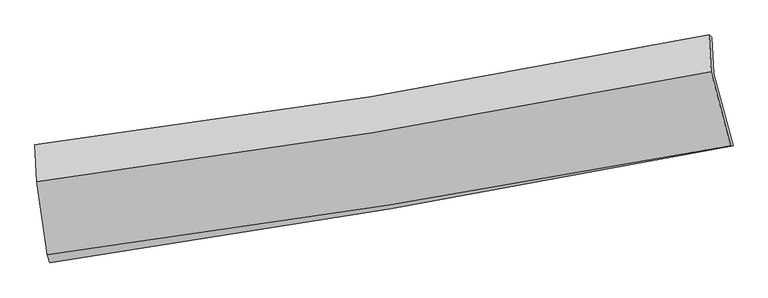
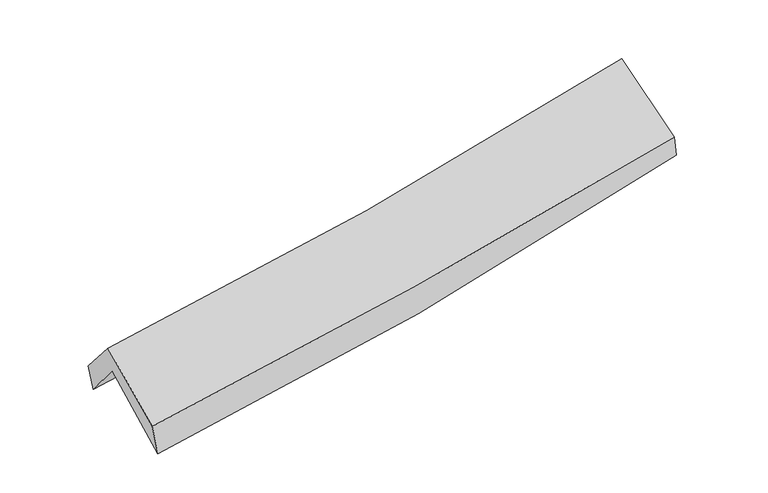
"""IFC4 building model written with IfcOpenShell, lengths in millimetres: proxy geometry."""

from ifc_helpers import new_model, si_unit, frame, origin, place, context, project, spatial, source, transform, mapped, element, save
from ifc_brep_helpers import plane_surface, spline_curve, spline_surface, advanced_brep


def generic_models_747d7d6c(model_context):
    return source(origin(), model_context, "Body", "AdvancedBrep", [
        advanced_brep(
        [(-2281.7314062, -2478.6635406, 1484.5780387), (-2357.4127741, -1959.512043, 1916.369934), (2303.6623509, -1174.6924992, 2354.6005359), (2436.409589, -1670.1567797, 1935.2673388), (-2369.6687758, -1708.6342171, 1605.4963567), (2289.7668394, -922.6999697, 2057.4347946), (-2383.0895488, -1663.7449863, 1789.7586564), (2270.3969295, -906.0398376, 2213.4368246), (-2369.7890536, -1920.4383607, 2091.5925351), (2284.5241622, -1161.6961647, 2514.6405131), (-2297.2591286, -2424.724317, 1693.1958981), (2419.4723869, -1671.1462524, 2098.1893718)],
        [
            (0, 1),
            (1, 2, spline_curve(3, [(-2357.4127741, -1959.512043, 1916.369934), (-1579.907648707, -1850.603317641, 1951.253247415), (-805.719875576, -1731.335757252, 2004.784960724), (748.076402267, -1470.055774264, 2150.273992739), (1527.580337463, -1327.71681995, 2242.81914662), (2303.6623509, -1174.6924992, 2354.6005359)], [4, 2, 4], [0.0, 7.779788507190435, 15.68124304359138])),
            (2, 3),
            (3, 0, spline_curve(3, [(2436.409589, -1670.1567797, 1935.2673388), (1652.505610713, -1825.538483081, 1821.182590714), (864.291468913, -1971.051667537, 1726.440294853), (-708.553909405, -2240.252351452, 1576.801609716), (-1493.053432715, -2364.241420718, 1521.314138571), (-2281.7314062, -2478.6635406, 1484.5780387)], [4, 2, 4], [0.0, 7.901454536400944, 15.68124304359138])),
            (1, 4),
            (4, 5, spline_curve(3, [(-2369.6687758, -1708.6342171, 1605.4963567), (-1591.493106583, -1602.30461127, 1637.44235443), (-817.101974311, -1484.245160122, 1690.618677577), (736.162526907, -1222.636826218, 1840.595600274), (1514.916599855, -1078.718194961, 1938.065423256), (2289.7668394, -922.6999697, 2057.4347946)], [4, 2, 4], [0.0, 7.7304746789601, 15.581844181376155])),
            (5, 2),
            (4, 6),
            (6, 7, spline_curve(3, [(-2383.0895488, -1663.7449863, 1789.7586564), (-1608.074826282, -1567.894976889, 1844.067760958), (-835.764528038, -1457.432040941, 1906.193771283), (715.482880219, -1205.324287131, 2047.173422658), (1494.334741334, -1063.218840369, 2126.273468175), (2270.3969295, -906.0398376, 2213.4368246)], [4, 2, 4], [0.0, 7.718655676056932, 15.558021341348281])),
            (7, 5),
            (6, 8),
            (8, 9, spline_curve(3, [(-2369.7890536, -1920.4383607, 2091.5925351), (-1594.812458029, -1820.430804355, 2140.984105002), (-822.45354134, -1707.787881333, 2200.580567219), (729.066711641, -1455.272108644, 2341.274881074), (1508.145533737, -1315.000966231, 2422.694411393), (2284.5241622, -1161.6961647, 2514.6405131)], [4, 2, 4], [0.0, 7.70790923372467, 15.53636039594978])),
            (9, 7),
            (8, 10),
            (10, 11, spline_curve(3, [(-2297.2591286, -2424.724317, 1693.1958981), (-1511.860130297, -2321.280767627, 1746.809944176), (-729.12845604, -2207.33021132, 1807.052739028), (843.199462131, -1956.468725166, 1941.841612134), (1632.711626308, -1819.22659345, 2016.596641727), (2419.4723869, -1671.1462524, 2098.1893718)], [4, 2, 4], [0.0, 7.756171125446592, 15.633638934194806])),
            (11, 9),
            (10, 0),
            (3, 11),
        ],
        [
            spline_surface(3, 3, [[(-2281.7314062, -2478.6635406, 1484.5780387), (-1493.053432676, -2364.241420668, 1521.31413865), (-708.553909403, -2240.252351447, 1576.801609629), (864.291468911, -1971.051667542, 1726.440294941), (1652.505610714, -1825.538483083, 1821.182590715), (2436.409589, -1670.1567797, 1935.2673388)], [(-2306.958528821, -2305.613041404, 1628.508670456), (-1522.004838045, -2193.028719655, 1664.627174922), (-740.94256482, -2070.613486736, 1719.462726692), (825.553113394, -1804.053036446, 1867.718194168), (1610.863852998, -1659.597928686, 1961.72810936), (2392.16050964, -1505.002019504, 2075.045071186)], [(-2332.185651479, -2132.562542196, 1772.439302244), (-1550.956243451, -2021.81601863, 1807.940211226), (-773.331220243, -1900.974621999, 1862.123843767), (786.814757869, -1637.054405324, 2008.996093405), (1569.222095262, -1493.657374377, 2102.273627948), (2347.91143026, -1339.847259396, 2214.822803514)], [(-2357.4127741, -1959.512043, 1916.369934), (-1579.90764882, -1850.603317617, 1951.253247498), (-805.71987566, -1731.335757287, 2004.78496083), (748.076402352, -1470.055774228, 2150.273992632), (1527.580337546, -1327.716819979, 2242.819146594), (2303.6623509, -1174.6924992, 2354.6005359)]], [4, 4], [4, 2, 4], [0.0, 2.1952323021532405], [0.0, 7.779788507190435, 15.68124304359138]),
            spline_surface(3, 3, [[(-2357.4127741, -1959.512043, 1916.369934), (-1579.90764882, -1850.603317617, 1951.253247498), (-805.71987566, -1731.335757287, 2004.78496083), (748.076402352, -1470.055774228, 2150.273992632), (1527.580337546, -1327.716819979, 2242.819146594), (2303.6623509, -1174.6924992, 2354.6005359)], [(-2361.498108016, -1875.886101053, 1812.745408223), (-1583.769468122, -1767.837082216, 1846.64961644), (-809.51390855, -1648.97222489, 1900.062866374), (744.105110582, -1387.582791561, 2047.047861879), (1523.359091614, -1244.717278357, 2141.234572125), (2299.030513733, -1090.694989398, 2255.545288781)], [(-2365.583441884, -1792.260159047, 1709.120882477), (-1587.631287374, -1685.070846757, 1742.045985413), (-813.307941497, -1566.608692502, 1795.340771927), (740.133818754, -1305.109808903, 1943.821731135), (1519.137845683, -1161.717736639, 2039.649997713), (2294.398676567, -1006.697479502, 2156.490041719)], [(-2369.6687758, -1708.6342171, 1605.4963567), (-1591.493106675, -1602.304611356, 1637.442354355), (-817.101974387, -1484.245160105, 1690.618677471), (736.162526984, -1222.636826236, 1840.595600382), (1514.916599751, -1078.718195017, 1938.065423244), (2289.7668394, -922.6999697, 2057.4347946)]], [4, 4], [4, 2, 4], [0.0, 1.3063578104889182], [0.0, 7.7304746789601, 15.581844181376155]),
            spline_surface(3, 3, [[(-2369.6687758, -1708.6342171, 1605.4963567), (-1591.493106675, -1602.304611356, 1637.442354355), (-817.101974387, -1484.245160105, 1690.618677471), (736.162526984, -1222.636826236, 1840.595600382), (1514.916599751, -1078.718195017, 1938.065423244), (2289.7668394, -922.6999697, 2057.4347946)], [(-2374.142366785, -1693.671140161, 1666.917123265), (-1597.02034656, -1590.834733232, 1706.317489867), (-823.322825637, -1475.307453721, 1762.477042082), (729.2693114, -1216.865979894, 1909.454874454), (1508.055980315, -1073.551743449, 2000.801438255), (2283.310202762, -917.146592303, 2109.435471278)], [(-2378.615957815, -1678.708063239, 1728.337889835), (-1602.54758649, -1579.364855125, 1775.192625383), (-829.543676844, -1466.369747291, 1834.335406712), (722.376095859, -1211.095133506, 1978.314148546), (1501.195360894, -1068.385291974, 2063.537453233), (2276.853566138, -911.593214997, 2161.436147922)], [(-2383.0895488, -1663.7449863, 1789.7586564), (-1608.074826375, -1567.894977001, 1844.067760896), (-835.764528094, -1457.432040907, 1906.193771322), (715.482880276, -1205.324287165, 2047.173422618), (1494.334741458, -1063.218840406, 2126.273468244), (2270.3969295, -906.0398376, 2213.4368246)]], [4, 4], [4, 2, 4], [0.0, 0.699010432965876], [0.0, 7.718655676056932, 15.558021341348281]),
            spline_surface(3, 3, [[(-2383.0895488, -1663.7449863, 1789.7586564), (-1608.074826375, -1567.894977001, 1844.067760896), (-835.764528094, -1457.432040907, 1906.193771322), (715.482880276, -1205.324287165, 2047.173422618), (1494.334741458, -1063.218840406, 2126.273468244), (2270.3969295, -906.0398376, 2213.4368246)], [(-2378.6560504, -1749.30944443, 1890.369949324), (-1603.654036963, -1652.073586128, 1943.039875625), (-831.327532523, -1540.883987747, 2004.322703307), (720.010824107, -1288.640227628, 2145.207242062), (1498.938338851, -1147.146215686, 2225.080449288), (2275.106007069, -991.258613319, 2313.838054089)], [(-2374.222552, -1834.87390257, 1990.981242176), (-1599.233247553, -1736.252195264, 2042.011990283), (-826.890536994, -1624.335934584, 2102.451635325), (724.538767894, -1371.956168089, 2243.241061538), (1503.541936236, -1231.073590908, 2323.887430365), (2279.815084631, -1076.477388981, 2414.239283611)], [(-2369.7890536, -1920.4383607, 2091.5925351), (-1594.812458141, -1820.430804391, 2140.984105013), (-822.453541422, -1707.787881424, 2200.580567309), (729.066711724, -1455.272108551, 2341.274880982), (1508.145533629, -1315.000966188, 2422.694411409), (2284.5241622, -1161.6961647, 2514.6405131)]], [4, 4], [4, 2, 4], [0.0, 1.2678397634165341], [0.0, 7.70790923372467, 15.53636039594978]),
            spline_surface(3, 3, [[(-2369.7890536, -1920.4383607, 2091.5925351), (-1594.812458141, -1820.430804391, 2140.984105013), (-822.453541422, -1707.787881424, 2200.580567309), (729.066711724, -1455.272108551, 2341.274880982), (1508.145533629, -1315.000966188, 2422.694411409), (2284.5241622, -1161.6961647, 2514.6405131)], [(-2345.612411928, -2088.533679446, 1958.793656092), (-1567.161682166, -1987.380792145, 2009.592718096), (-791.345179593, -1874.301991333, 2069.404624588), (767.110961825, -1622.33764744, 2208.130458013), (1549.667564507, -1483.076175307, 2287.328488222), (2329.506903764, -1331.512860603, 2375.823466025)], [(-2321.435770272, -2256.628998254, 1825.994777108), (-1539.510906206, -2154.330779961, 1878.201331204), (-760.236817765, -2040.816101302, 1938.228681837), (805.155211925, -1789.403186388, 2074.986035015), (1591.189595393, -1651.151384417, 2151.962564962), (2374.489645336, -1501.329556497, 2237.006418875)], [(-2297.2591286, -2424.724317, 1693.1958981), (-1511.860130231, -2321.280767715, 1746.809944288), (-729.128455936, -2207.330211212, 1807.052739115), (843.199462025, -1956.468725277, 1941.841612045), (1632.71162627, -1819.226593535, 2016.596641775), (2419.4723869, -1671.1462524, 2098.1893718)]], [4, 4], [4, 2, 4], [0.0, 2.12219811732915], [0.0, 7.756171125446592, 15.633638934194806]),
            spline_surface(3, 3, [[(-2297.2591286, -2424.724317, 1693.1958981), (-1511.860130231, -2321.280767715, 1746.809944288), (-729.128455936, -2207.330211212, 1807.052739115), (843.199462025, -1956.468725277, 1941.841612045), (1632.71162627, -1819.226593535, 2016.596641775), (2419.4723869, -1671.1462524, 2098.1893718)], [(-2292.08322115, -2442.704058206, 1623.65661164), (-1505.591231063, -2335.600985372, 1671.644675749), (-722.27027378, -2218.304257955, 1730.302362634), (850.230130965, -1961.32970603, 1870.041173025), (1639.309621084, -1821.330556725, 1951.458624731), (2425.118120932, -1670.816428174, 2043.882027442)], [(-2286.90731365, -2460.683799394, 1554.11732516), (-1499.322331845, -2349.921203011, 1596.479407189), (-715.412091559, -2229.278304704, 1653.55198611), (857.260799971, -1966.190686789, 1798.240733961), (1645.907615901, -1823.434519894, 1886.320607759), (2430.763854968, -1670.486603926, 1989.574683158)], [(-2281.7314062, -2478.6635406, 1484.5780387), (-1493.053432676, -2364.241420668, 1521.31413865), (-708.553909403, -2240.252351447, 1576.801609629), (864.291468911, -1971.051667542, 1726.440294941), (1652.505610714, -1825.538483083, 1821.182590715), (2436.409589, -1670.1567797, 1935.2673388)]], [4, 4], [4, 2, 4], [0.0, 0.7379398530392802], [0.0, 7.816192859362241, 15.754621065850333]),
            plane_surface(frame((2334.0387096, -1251.0719172, 2195.5948965), z_axis=(0.9791305801204839, 0.1752837034800194, 0.10285392733023435), x_axis=(0.20090526044404156, -0.7584479365219691, -0.6199950031342826))),
            plane_surface(frame((-2343.1584478, -2025.9529108, 1763.4985698), z_axis=(-0.9932648312900351, -0.10613058819084323, -0.046489495293498544), x_axis=(-0.07187531006969486, 0.2496759238060659, 0.9656582588441798))),
        ],
        [
            (0, [[1, 2, 3, 4]]),
            (1, [[5, 6, 7, -2]]),
            (2, [[8, 9, 10, -6]]),
            (3, [[11, 12, 13, -9]]),
            (4, [[14, 15, 16, -12]]),
            (5, [[17, -4, 18, -15]]),
            (6, [[-16, -18, -3, -7, -10, -13]]),
            (7, [[-17, -14, -11, -8, -5, -1]]),
        ],
    ),
    ])


if __name__ == "__main__":
    model = new_model("IFC4")
    model_context = context("Model", 3, world=origin())
    ifc_project = project(units=[si_unit("LENGTHUNIT", "METRE", prefix="MILLI")], contexts=[model_context])
    site = spatial("IfcSite", under=ifc_project)
    building = spatial("IfcBuilding", under=site)
    placement = place(None, origin())
    generic_models_shape = generic_models_747d7d6c(model_context)
    element("IfcBuildingElementProxy", 1, Name="Generic Models", at=placement, inside=building, context=model_context, shape_type="MappedRepresentation", body=[
        mapped(generic_models_shape, transform((0.0, 0.0, 0.0), x_axis=(1.0, 0.0, 0.0), y_axis=(0.0, 1.0, 0.0), z_axis=(0.0, 0.0, 1.0))),
    ])
    save(model, "model.ifc")
